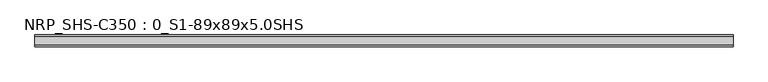
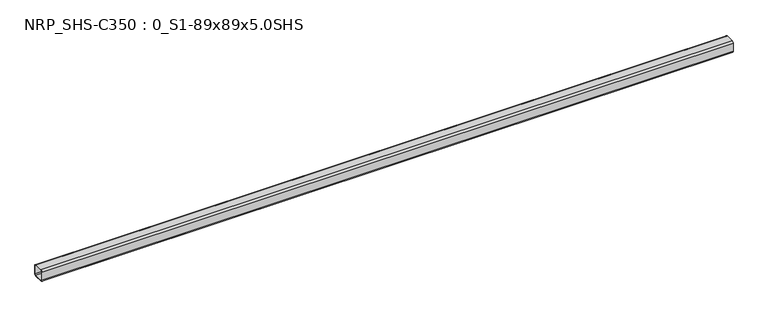
"""IFC4 building model written with IfcOpenShell, lengths in millimetres: beam geometry, NRP_SHS-C350 : 0_S1-89x89x5.0SHS."""

from ifc_helpers import new_model, si_unit, point, frame, frame_2d, origin, place, context, project, spatial, polyline, circle_curve, trimmed, segment, composite_curve, outline, extrude, source, transform, mapped, element, save


def nrp_shs_c350_0_s1_89x89x5_0shs_4b8399cc(model_context):
    return source(origin(), model_context, "Body", "SweptSolid", [
        extrude(outline(composite_curve([segment(trimmed(circle_curve(frame_2d((-32.0, 32.0)), 12.5), [point((-44.5, 32.0))], [point((-32.0, 44.5))], False, "CARTESIAN"), True, "CONTINUOUS"), segment(polyline([(-32.0, 44.5), (32.0, 44.5)]), True, "CONTINUOUS"), segment(trimmed(circle_curve(frame_2d((32.0, 32.0)), 12.5), [point((32.0, 44.5))], [point((44.5, 32.0))], False, "CARTESIAN"), True, "CONTINUOUS"), segment(polyline([(44.5, 32.0), (44.5, -32.0)]), True, "CONTINUOUS"), segment(trimmed(circle_curve(frame_2d((32.0, -32.0)), 12.5), [point((44.5, -32.0))], [point((32.0, -44.5))], False, "CARTESIAN"), True, "CONTINUOUS"), segment(polyline([(32.0, -44.5), (-32.0, -44.5)]), True, "CONTINUOUS"), segment(trimmed(circle_curve(frame_2d((-32.0, -32.0)), 12.5), [point((-32.0, -44.5))], [point((-44.5, -32.0))], False, "CARTESIAN"), True, "CONTINUOUS"), segment(polyline([(-44.5, -32.0), (-44.5, 32.0)]), True, "CONTINUOUS")], self_intersect=False), holes=[composite_curve([segment(polyline([(32.0, 39.5), (-32.0, 39.5)]), True, "CONTINUOUS"), segment(trimmed(circle_curve(frame_2d((-32.0, 32.0)), 7.5), [point((-32.0, 39.5))], [point((-39.5, 32.0))], True, "CARTESIAN"), True, "CONTINUOUS"), segment(polyline([(-39.5, 32.0), (-39.5, -32.0)]), True, "CONTINUOUS"), segment(trimmed(circle_curve(frame_2d((-32.0, -32.0)), 7.5), [point((-39.5, -32.0))], [point((-32.0, -39.5))], True, "CARTESIAN"), True, "CONTINUOUS"), segment(polyline([(-32.0, -39.5), (32.0, -39.5)]), True, "CONTINUOUS"), segment(trimmed(circle_curve(frame_2d((32.0, -32.0)), 7.5), [point((32.0, -39.5))], [point((39.5, -32.0))], True, "CARTESIAN"), True, "CONTINUOUS"), segment(polyline([(39.5, -32.0), (39.5, 32.0)]), True, "CONTINUOUS"), segment(trimmed(circle_curve(frame_2d((32.0, 32.0)), 7.5), [point((39.5, 32.0))], [point((32.0, 39.5))], True, "CARTESIAN"), True, "CONTINUOUS")], self_intersect=False)]), frame((-2626.0, 0.0, 0.0), z_axis=(1.0, 0.0, 0.0), x_axis=(0.0, 1.0, 0.0)), (0.0, 0.0, 1.0), 5163.0),
    ])


if __name__ == "__main__":
    model = new_model("IFC4")
    model_context = context("Model", 3, world=origin())
    ifc_project = project(units=[si_unit("LENGTHUNIT", "METRE", prefix="MILLI")], contexts=[model_context])
    site = spatial("IfcSite", under=ifc_project)
    building = spatial("IfcBuilding", under=site)
    placement = place(None, origin())
    nrp_shs_c350_0_s1_89x89x5_0shs_shape = nrp_shs_c350_0_s1_89x89x5_0shs_4b8399cc(model_context)
    element("IfcBeam", 1, ObjectType="NRP_SHS-C350 : 0_S1-89x89x5.0SHS", at=placement, inside=building, context=model_context, shape_type="MappedRepresentation", body=[
        mapped(nrp_shs_c350_0_s1_89x89x5_0shs_shape, transform((0.0, 0.0, 0.0), x_axis=(1.0, 0.0, 0.0), y_axis=(0.0, 1.0, 0.0), z_axis=(0.0, 0.0, 1.0))),
    ])
    save(model, "model.ifc")
